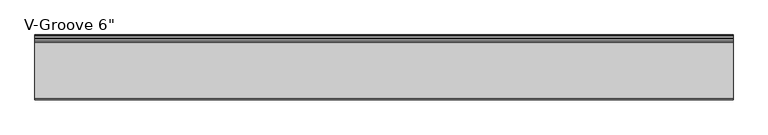
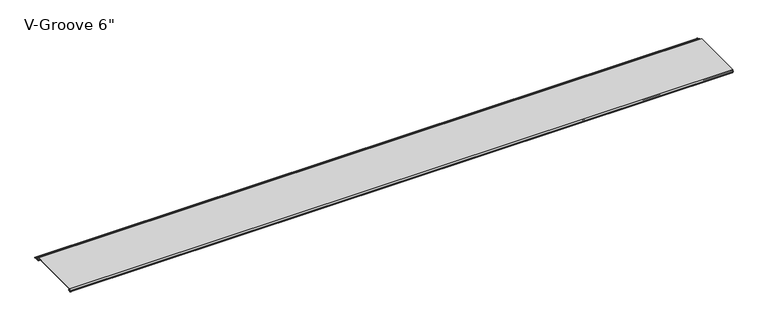
"""IFC4 building model written with IfcOpenShell, lengths in millimetres: proxy geometry."""

from ifc_helpers import new_model, si_unit, frame, origin, place, context, project, spatial, polyline, circle_curve, source, transform, mapped, element, save
from ifc_brep_helpers import plane_surface, cylinder_surface, revolved_surface, advanced_brep


def proxy_34378b2b(model_context):
    return source(origin(), model_context, "Body", "AdvancedBrep", [
        advanced_brep(
        [(0.0, 4.8748016, 8.2677279), (0.0, 3.9297655, 8.3107178), (0.0, 1.0903749, 8.3537076), (0.0, 0.065443, 8.3537076), (0.0, 0.065443, 9.2261945), (0.0, 2.1184419, 13.2537076), (0.0, 149.7967857, 13.2537076), (0.0, 152.4, 8.1468156), (0.0, 158.2910449, 8.1468156), (0.0, 158.2738459, 6.6269129), (0.0, 154.1507651, 6.6268074), (0.0, 153.6162088, 5.7543198), (0.0, 154.7634478, 3.5037076), (0.0, 159.5480327, 3.5037076), (0.0, 160.305331, 2.8682589), (0.0, 166.0979176, 2.8682589), (0.0, 166.8552159, 3.5037076), (0.0, 167.8052159, 3.5037076), (0.0, 167.8052159, 1.8537076), (0.0, 153.8456734, 1.8537076), (0.0, 148.8348769, 11.6837076), (0.0, 4.9698231, 11.6837076), (0.0, 4.9454257, 9.4970429), (0.0, 6.3252986, 9.4327708), (0.0, 6.2190404, 4.8677279), (0.0, 2.2867276, 4.8677279), (0.0, 2.2368711, 6.1940104), (0.0, 4.5055344, 6.3177279), (0.0, 6.0740222, 6.3177279), (0.0, 6.0740222, 8.2677279), (1815.546, 4.8748016, 8.2677279), (1815.546, 6.0740222, 8.2677279), (1815.546, 6.0740222, 6.3177279), (1815.546, 4.5055344, 6.3177279), (1815.546, 2.2368711, 6.1940104), (1815.546, 2.2867276, 4.8677279), (1815.546, 6.2190404, 4.8677279), (1815.546, 6.3252986, 9.4327708), (1815.546, 4.9454257, 9.4970429), (1815.546, 4.9698231, 11.6837076), (1815.546, 148.8348769, 11.6837076), (1815.546, 153.8456734, 1.8537076), (1815.546, 167.8052159, 1.8537076), (1815.546, 167.8052159, 3.5037076), (1815.546, 166.8552159, 3.5037076), (1815.546, 166.0979176, 2.8682589), (1815.546, 160.305331, 2.8682589), (1815.546, 159.5480327, 3.5037076), (1815.546, 154.7634478, 3.5037076), (1815.546, 153.6162088, 5.7543198), (1815.546, 154.1507651, 6.6268074), (1815.546, 158.2738459, 6.6268074), (1815.546, 158.2910449, 8.1468156), (1815.546, 152.4, 8.1468156), (1815.546, 149.7967857, 13.2537076), (1815.546, 2.1184419, 13.2537076), (1815.546, 0.065443, 9.2261945), (1815.546, 0.065443, 8.3537076), (1815.546, 1.0903749, 8.3537076), (1815.546, 3.9297655, 8.3107178)],
        [
            (0, 1),
            (1, 2, circle_curve(frame((0.0, 2.4847467, 6.6596487), z_axis=(1.0, 0.0, 0.0), x_axis=(0.0, 1.0, 0.0)), 2.1941076)),
            (2, 3),
            (3, 4),
            (4, 5),
            (5, 6),
            (6, 7),
            (7, 8),
            (8, 9, circle_curve(frame((0.0, 158.2824454, 7.3868643), z_axis=(-1.0, 0.0, 0.0), x_axis=(0.0, 1.0, 0.0)), 0.76)),
            (9, 10),
            (10, 11, circle_curve(frame((0.0, 154.1507651, 6.0268074), z_axis=(1.0, 0.0, 0.0), x_axis=(0.0, 1.0, 0.0)), 0.6)),
            (11, 12),
            (12, 13),
            (13, 14),
            (14, 15),
            (15, 16),
            (16, 17),
            (17, 18, circle_curve(frame((0.0, 167.8052159, 2.6787076), z_axis=(-1.0, 0.0, 0.0), x_axis=(0.0, 1.0, 0.0)), 0.825)),
            (18, 19),
            (19, 20),
            (20, 21),
            (21, 22, circle_curve(frame((0.0, 4.9836004, 10.5900854), z_axis=(1.0, 0.0, 0.0), x_axis=(0.0, 1.0, 0.0)), 1.093709)),
            (22, 23),
            (23, 24, circle_curve(frame((0.0, 6.2190404, 7.151486), z_axis=(-1.0, 0.0, 0.0), x_axis=(0.0, 1.0, 0.0)), 2.2837581)),
            (24, 25),
            (25, 26, circle_curve(frame((0.0, 2.2867276, 5.5318063), z_axis=(-1.0, 0.0, 0.0), x_axis=(0.0, 1.0, 0.0)), 0.6640784)),
            (26, 27),
            (27, 28),
            (28, 29, circle_curve(frame((0.0, 6.0740222, 7.2927279), z_axis=(1.0, 0.0, 0.0), x_axis=(0.0, 1.0, 0.0)), 0.975)),
            (29, 0),
            (30, 31),
            (31, 32, circle_curve(frame((1815.546, 6.0740222, 7.2927279), z_axis=(-1.0, 0.0, 0.0), x_axis=(0.0, 1.0, 0.0)), 0.975)),
            (32, 33),
            (33, 34),
            (34, 35, circle_curve(frame((1815.546, 2.2867276, 5.5318063), z_axis=(1.0, 0.0, 0.0), x_axis=(0.0, 1.0, 0.0)), 0.6640784)),
            (35, 36),
            (36, 37, circle_curve(frame((1815.546, 6.2190404, 7.151486), z_axis=(1.0, 0.0, 0.0), x_axis=(0.0, 1.0, 0.0)), 2.2837581)),
            (37, 38),
            (38, 39, circle_curve(frame((1815.546, 4.9836004, 10.5900854), z_axis=(-1.0, 0.0, 0.0), x_axis=(0.0, 1.0, 0.0)), 1.093709)),
            (39, 40),
            (40, 41),
            (41, 42),
            (42, 43, circle_curve(frame((1815.546, 167.8052159, 2.6787076), z_axis=(1.0, 0.0, 0.0), x_axis=(0.0, 1.0, 0.0)), 0.825)),
            (43, 44),
            (44, 45),
            (45, 46),
            (46, 47),
            (47, 48),
            (48, 49),
            (49, 50, circle_curve(frame((1815.546, 154.1507651, 6.0268074), z_axis=(-1.0, 0.0, 0.0), x_axis=(0.0, 1.0, 0.0)), 0.6)),
            (50, 51),
            (51, 52, circle_curve(frame((1815.546, 158.2824454, 7.3868643), z_axis=(1.0, 0.0, 0.0), x_axis=(0.0, 1.0, 0.0)), 0.76)),
            (52, 53),
            (53, 54),
            (54, 55),
            (55, 56),
            (56, 57),
            (57, 58),
            (58, 59, circle_curve(frame((1815.546, 2.4847467, 6.6596487), z_axis=(-1.0, 0.0, 0.0), x_axis=(0.0, 1.0, 0.0)), 2.1941076)),
            (59, 30),
            (0, 30),
            (59, 1),
            (58, 2),
            (57, 3),
            (56, 4),
            (55, 5),
            (54, 6),
            (53, 7),
            (52, 8),
            (51, 9),
            (50, 10),
            (49, 11),
            (48, 12),
            (47, 13),
            (46, 14),
            (45, 15),
            (44, 16),
            (43, 17),
            (42, 18),
            (41, 19),
            (40, 20),
            (39, 21),
            (38, 22),
            (37, 23),
            (36, 24),
            (35, 25),
            (34, 26),
            (33, 27),
            (32, 28),
            (31, 29),
        ],
        [
            plane_surface(frame((0.0, 0.0, 0.0), z_axis=(-1.0, 0.0, 0.0), x_axis=(0.0, 0.0, 1.0))),
            plane_surface(frame((1815.546, 0.0, 0.0), z_axis=(1.0, 0.0, 0.0), x_axis=(0.0, 0.0, 1.0))),
            plane_surface(frame((0.0, 4.8748016, 8.2677279), z_axis=(0.0, -0.045443199353729875, -0.9989669241934376), x_axis=(1.0, 0.0, 0.0))),
            revolved_surface(polyline([(1815.546, 4.6788543, 6.6596487), (0.0, 4.6788543, 6.6596487)]), (0.0, 2.4847467, 6.6596487), (1.0, 0.0, 0.0)),
            plane_surface(frame((0.0, 1.0903749, 8.3537076), z_axis=(0.0, 0.0, -1.0), x_axis=(1.0, 0.0, 0.0))),
            plane_surface(frame((0.0, 0.065443, 8.3537076), z_axis=(0.0, -1.0, 0.0), x_axis=(1.0, 0.0, 0.0))),
            plane_surface(frame((0.0, 0.065443, 9.2261945), z_axis=(0.0, -0.8909279044420536, 0.4541447666620095), x_axis=(1.0, 0.0, 0.0))),
            plane_surface(frame((0.0, 2.1184419, 13.2537076), z_axis=(0.0, 0.0, 1.0), x_axis=(1.0, 0.0, 0.0))),
            plane_surface(frame((0.0, 149.7967857, 13.2537076), z_axis=(0.0, 0.8909272743280144, 0.45414600279916045), x_axis=(1.0, 0.0, 0.0))),
            plane_surface(frame((0.0, 152.4, 8.1468156), z_axis=(0.0, 0.0, 1.0), x_axis=(1.0, 0.0, 0.0))),
            cylinder_surface(frame((0.0, 158.2824454, 7.3868643), z_axis=(-1.0, 0.0, 0.0), x_axis=(0.0, 1.0, 0.0)), 0.76),
            plane_surface(frame((0.0, 158.2738459, 6.6268074), z_axis=(0.0, 0.0, -1.0), x_axis=(1.0, 0.0, 0.0))),
            revolved_surface(polyline([(1815.546, 154.7507651, 6.0268074), (0.0, 154.7507651, 6.0268074)]), (0.0, 154.1507651, 6.0268074), (1.0, 0.0, 0.0)),
            plane_surface(frame((0.0, 153.6162088, 5.7543198), z_axis=(0.0, 0.8909272743742441, 0.4541460027084687), x_axis=(1.0, 0.0, 0.0))),
            plane_surface(frame((0.0, 154.7634478, 3.5037076), z_axis=(0.0, 0.0, 1.0), x_axis=(1.0, 0.0, 0.0))),
            plane_surface(frame((0.0, 159.5480327, 3.5037076), z_axis=(0.0, 0.6427876096865576, 0.7660444431189628), x_axis=(1.0, 0.0, 0.0))),
            plane_surface(frame((0.0, 160.305331, 2.8682589), z_axis=(0.0, 0.0, 1.0), x_axis=(1.0, 0.0, 0.0))),
            plane_surface(frame((0.0, 166.0979176, 2.8682589), z_axis=(0.0, -0.6427876096865565, 0.7660444431189637), x_axis=(1.0, 0.0, 0.0))),
            plane_surface(frame((0.0, 166.8552159, 3.5037076), z_axis=(0.0, 0.0, 1.0), x_axis=(1.0, 0.0, 0.0))),
            cylinder_surface(frame((0.0, 167.8052159, 2.6787076), z_axis=(-1.0, 0.0, 0.0), x_axis=(0.0, 1.0, 0.0)), 0.825),
            plane_surface(frame((0.0, 167.8052159, 1.8537076), z_axis=(0.0, 0.0, -1.0), x_axis=(1.0, 0.0, 0.0))),
            plane_surface(frame((0.0, 153.8456734, 1.8537076), z_axis=(0.0, -0.8909272743276321, -0.4541460027999105), x_axis=(1.0, 0.0, 0.0))),
            plane_surface(frame((0.0, 148.8348769, 11.6837076), z_axis=(0.0, 0.0, -1.0), x_axis=(1.0, 0.0, 0.0))),
            revolved_surface(polyline([(1815.546, 6.077309400000001, 10.5900854), (0.0, 6.077309400000001, 10.5900854)]), (0.0, 4.9836004, 10.5900854), (1.0, 0.0, 0.0)),
            plane_surface(frame((0.0, 4.9454257, 9.4970429), z_axis=(0.0, 0.046527768163272164, 0.9989169969470661), x_axis=(1.0, 0.0, 0.0))),
            cylinder_surface(frame((0.0, 6.2190404, 7.151486), z_axis=(-1.0, 0.0, 0.0), x_axis=(0.0, 1.0, 0.0)), 2.2837581),
            plane_surface(frame((0.0, 6.2190404, 4.8677279), z_axis=(0.0, 0.0, -1.0), x_axis=(1.0, 0.0, 0.0))),
            cylinder_surface(frame((0.0, 2.2867276, 5.5318063), z_axis=(-1.0, 0.0, 0.0), x_axis=(0.0, 1.0, 0.0)), 0.6640784),
            plane_surface(frame((0.0, 2.2368711, 6.1940104), z_axis=(0.0, -0.054452281472051646, 0.9985163739481133), x_axis=(1.0, 0.0, 0.0))),
            plane_surface(frame((0.0, 4.5055344, 6.3177279), z_axis=(0.0, 0.0, 1.0), x_axis=(1.0, 0.0, 0.0))),
            revolved_surface(polyline([(1815.546, 7.0490222, 7.2927279), (0.0, 7.0490222, 7.2927279)]), (0.0, 6.0740222, 7.2927279), (1.0, 0.0, 0.0)),
            plane_surface(frame((0.0, 6.0740222, 8.2677279), z_axis=(0.0, 0.0, -1.0), x_axis=(1.0, 0.0, 0.0))),
        ],
        [
            (0, [[1, 2, 3, 4, 5, 6, 7, 8, 9, 10, 11, 12, 13, 14, 15, 16, 17, 18, 19, 20, 21, 22, 23, 24, 25, 26, 27, 28, 29, 30]]),
            (1, [[31, 32, 33, 34, 35, 36, 37, 38, 39, 40, 41, 42, 43, 44, 45, 46, 47, 48, 49, 50, 51, 52, 53, 54, 55, 56, 57, 58, 59, 60]]),
            (2, [[-1, 61, -60, 62]]),
            (3, [[-2, -62, -59, 63]]),
            (4, [[-3, -63, -58, 64]]),
            (5, [[-4, -64, -57, 65]]),
            (6, [[-5, -65, -56, 66]]),
            (7, [[-6, -66, -55, 67]]),
            (8, [[-7, -67, -54, 68]]),
            (9, [[-8, -68, -53, 69]]),
            (10, [[-9, -69, -52, 70]]),
            (11, [[-10, -70, -51, 71]]),
            (12, [[-11, -71, -50, 72]]),
            (13, [[-12, -72, -49, 73]]),
            (14, [[-13, -73, -48, 74]]),
            (15, [[-14, -74, -47, 75]]),
            (16, [[-15, -75, -46, 76]]),
            (17, [[-16, -76, -45, 77]]),
            (18, [[-17, -77, -44, 78]]),
            (19, [[-18, -78, -43, 79]]),
            (20, [[-19, -79, -42, 80]]),
            (21, [[-20, -80, -41, 81]]),
            (22, [[-21, -81, -40, 82]]),
            (23, [[-22, -82, -39, 83]]),
            (24, [[-23, -83, -38, 84]]),
            (25, [[-24, -84, -37, 85]]),
            (26, [[-25, -85, -36, 86]]),
            (27, [[-26, -86, -35, 87]]),
            (28, [[-27, -87, -34, 88]]),
            (29, [[-28, -88, -33, 89]]),
            (30, [[-29, -89, -32, 90]]),
            (31, [[-30, -90, -31, -61]]),
        ],
    ),
    ])


if __name__ == "__main__":
    model = new_model("IFC4")
    model_context = context("Model", 3, world=origin())
    ifc_project = project(units=[si_unit("LENGTHUNIT", "METRE", prefix="MILLI")], contexts=[model_context])
    site = spatial("IfcSite", under=ifc_project)
    building = spatial("IfcBuilding", under=site)
    placement = place(None, origin())
    proxy_shape = proxy_34378b2b(model_context)
    element("IfcBuildingElementProxy", 1, Name="V-Groove 6\"", ObjectType="V-Groove 6\"", at=placement, inside=building, context=model_context, shape_type="MappedRepresentation", body=[
        mapped(proxy_shape, transform((0.0, 0.0, 0.0), x_axis=(1.0, 0.0, 0.0), y_axis=(0.0, 1.0, 0.0), z_axis=(0.0, 0.0, 1.0))),
    ])
    save(model, "model.ifc")
